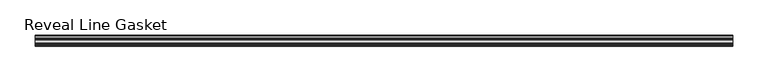
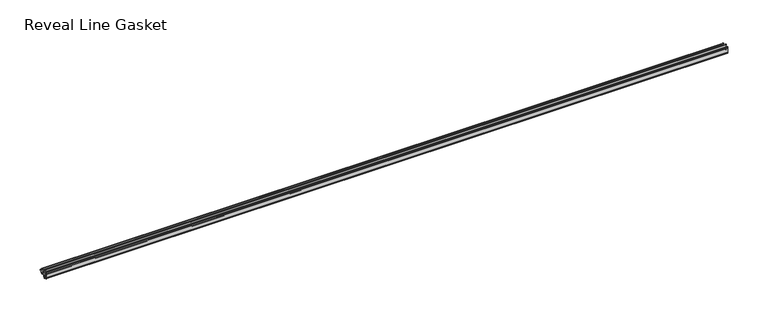
"""IFC4 building model written with IfcOpenShell, lengths in millimetres: furniture geometry, Reveal Line Gasket."""

from ifc_helpers import new_model, si_unit, point, frame, frame_2d, origin, place, context, project, spatial, polyline, circle_curve, trimmed, segment, composite_curve, outline, extrude, source, transform, mapped, element, save


def reveal_line_gasket_35acc39e(model_context):
    return source(origin(), model_context, "Body", "SweptSolid", [
        extrude(outline(composite_curve([segment(polyline([(-7.6326998, 1603.2), (-7.4091917, 1604.1554927), (-6.8813059, 1605.0884684)]), True, "CONTINUOUS"), segment(trimmed(circle_curve(frame_2d((-6.5243141, 1604.8864793)), 0.4101739), [point((-6.8813059, 1605.0884684))], [point((-6.1246704, 1604.7941347))], False, "CARTESIAN"), True, "CONTINUOUS"), segment(polyline([(-6.1246704, 1604.7941347), (-6.3626997, 1603.0979086), (-6.3626997, 1601.0654527)]), True, "CONTINUOUS"), segment(trimmed(circle_curve(frame_2d((-5.6959605, 1601.4819258)), 0.786124), [point((-6.3626997, 1601.0654527))], [point((-5.0926996, 1600.977875))], True, "CARTESIAN"), True, "CONTINUOUS"), segment(polyline([(-5.0926996, 1600.977875), (-0.7492996, 1600.977875), (-3.7293824, 1606.1395295)]), True, "CONTINUOUS"), segment(trimmed(circle_curve(frame_2d((-3.3132479, 1606.2049761)), 0.4212495), [point((-3.7293824, 1606.1395295))], [point((-3.0485022, 1606.5326358))], False, "CARTESIAN"), True, "CONTINUOUS"), segment(polyline([(-3.0485022, 1606.5326358), (0.5742594, 1600.977875), (4.8262978, 1600.977875), (3.1660374, 1603.8535297)]), True, "CONTINUOUS"), segment(trimmed(circle_curve(frame_2d((3.5978728, 1603.9118855)), 0.4357605), [point((3.1660374, 1603.8535297))], [point((3.864328, 1604.2566881))], False, "CARTESIAN"), True, "CONTINUOUS"), segment(polyline([(3.864328, 1604.2566881), (6.1944059, 1600.977875), (7.6326998, 1600.977875), (7.6326998, 1599.422125), (6.1944059, 1599.422125), (3.864328, 1596.1433119)]), True, "CONTINUOUS"), segment(trimmed(circle_curve(frame_2d((3.5978728, 1596.4881145)), 0.4357605), [point((3.864328, 1596.1433119))], [point((3.1660374, 1596.5464703))], False, "CARTESIAN"), True, "CONTINUOUS"), segment(polyline([(3.1660374, 1596.5464703), (4.8262978, 1599.422125), (0.5742594, 1599.422125), (-3.0485022, 1593.8673642)]), True, "CONTINUOUS"), segment(trimmed(circle_curve(frame_2d((-3.3132479, 1594.1950239)), 0.4212495), [point((-3.0485022, 1593.8673642))], [point((-3.7293824, 1594.2604705))], False, "CARTESIAN"), True, "CONTINUOUS"), segment(polyline([(-3.7293824, 1594.2604705), (-0.7492996, 1599.422125), (-5.0926996, 1599.422125)]), True, "CONTINUOUS"), segment(trimmed(circle_curve(frame_2d((-5.6959605, 1598.9180742)), 0.786124), [point((-5.0926996, 1599.422125))], [point((-6.3626997, 1599.3345473))], True, "CARTESIAN"), True, "CONTINUOUS"), segment(polyline([(-6.3626997, 1599.3345473), (-6.3626997, 1597.3020914), (-6.1246704, 1595.6058653)]), True, "CONTINUOUS"), segment(trimmed(circle_curve(frame_2d((-6.5243141, 1595.5135207)), 0.4101739), [point((-6.1246704, 1595.6058653))], [point((-6.8813059, 1595.3115316))], False, "CARTESIAN"), True, "CONTINUOUS"), segment(polyline([(-6.8813059, 1595.3115316), (-7.4091917, 1596.2445073), (-7.6326998, 1597.2), (-7.6326998, 1603.2)]), True, "CONTINUOUS")], self_intersect=False)), frame((-491.5173792, 0.0, 0.0), z_axis=(1.0, 0.0, 0.0), x_axis=(0.0, 1.0, 0.0)), (0.0, 0.0, 1.0), 983.0347583),
    ])


if __name__ == "__main__":
    model = new_model("IFC4")
    model_context = context("Model", 3, world=origin())
    ifc_project = project(units=[si_unit("LENGTHUNIT", "METRE", prefix="MILLI")], contexts=[model_context])
    site = spatial("IfcSite", under=ifc_project)
    building = spatial("IfcBuilding", under=site)
    placement = place(None, origin())
    reveal_line_gasket_shape = reveal_line_gasket_35acc39e(model_context)
    element("IfcFurniture", 1, ObjectType="Reveal Line Gasket", at=placement, inside=building, context=model_context, shape_type="MappedRepresentation", body=[
        mapped(reveal_line_gasket_shape, transform((0.0, 0.0, 0.0), x_axis=(1.0, 0.0, 0.0), y_axis=(0.0, 1.0, 0.0), z_axis=(0.0, 0.0, 1.0))),
    ])
    save(model, "model.ifc")
